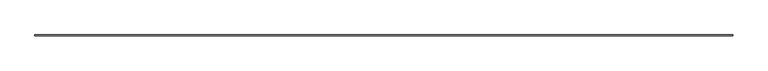
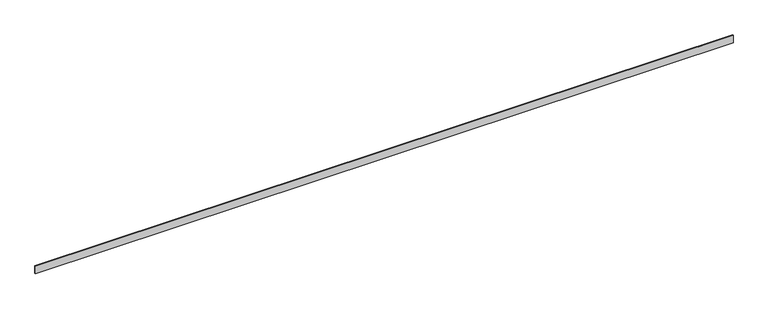
"""IFC4 building model written with IfcOpenShell, lengths in millimetres: furniture geometry."""

from ifc_helpers import new_model, si_unit, origin, origin_with_axes, place, context, project, spatial, polyline, outline, extrude, source, transform, mapped, element, save


def furniture_d37d8d2e(model_context):
    return source(origin(), model_context, "Body", "SweptSolid", [
        extrude(outline(polyline([(0.0, 0.0), (0.0, 10.0), (9108.6131588, 10.0), (9108.6131588, 0.0), (0.0, 0.0)])), origin_with_axes(), (0.0, 0.0, 1.0), 100.0),
    ])


if __name__ == "__main__":
    model = new_model("IFC4")
    model_context = context("Model", 3, world=origin())
    ifc_project = project(units=[si_unit("LENGTHUNIT", "METRE", prefix="MILLI")], contexts=[model_context])
    site = spatial("IfcSite", under=ifc_project)
    building = spatial("IfcBuilding", under=site)
    placement = place(None, origin())
    furniture_shape = furniture_d37d8d2e(model_context)
    element("IfcFurniture", 1, at=placement, inside=building, context=model_context, shape_type="MappedRepresentation", body=[
        mapped(furniture_shape, transform((0.0, 0.0, 0.0), x_axis=(1.0, 0.0, 0.0), y_axis=(0.0, 1.0, 0.0), z_axis=(0.0, 0.0, 1.0))),
    ])
    save(model, "model.ifc")
